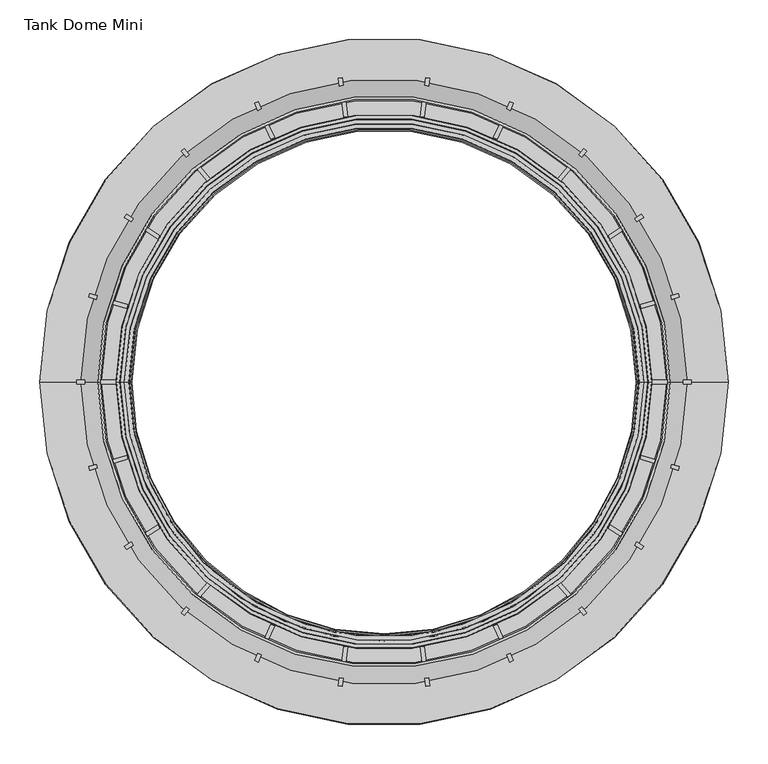
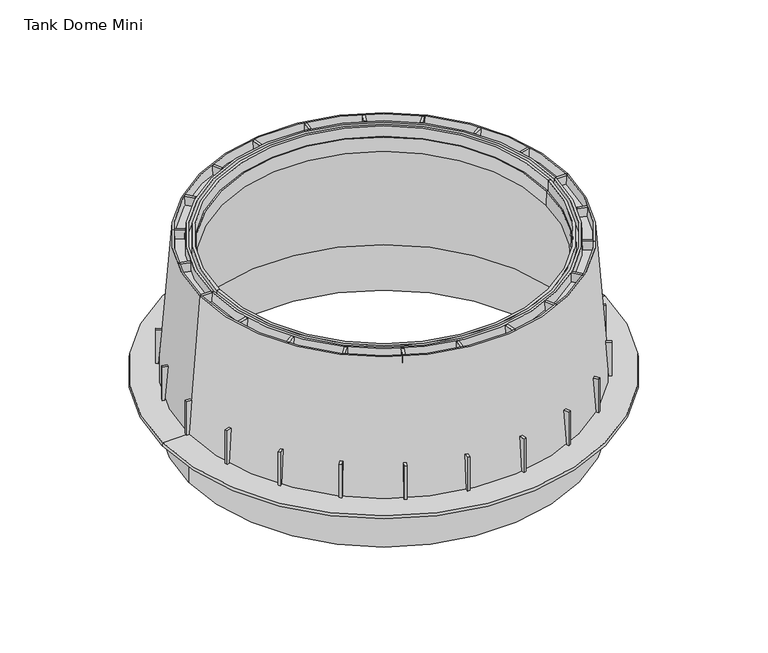
"""IFC4 building model written with IfcOpenShell, lengths in millimetres: proxy geometry, Tank Dome Mini."""

from ifc_helpers import new_model, si_unit, frame, origin, place, context, project, spatial, polyline, circle_curve, outline, extrude, source, transform, mapped, element, save
from ifc_brep_helpers import plane_surface, revolved_surface, advanced_brep


def tank_dome_mini_c82e10f8(model_context):
    return source(origin(), model_context, "Body", "SolidModel", [
        advanced_brep(
        [(435.0, 0.0, 6.0), (-435.0, 0.0, 6.0), (-383.5532657, 0.0, 6.0), (383.5532657, 0.0, 6.0), (435.524932, 0.0, 0.0), (-435.524932, 0.0, 0.0), (384.0139606, 0.0, 0.0), (-384.0139606, 0.0, 0.0), (383.0190866, 0.0, -95.0), (-383.0190866, 0.0, -95.0), (378.8253524, 0.0, -95.0), (-378.8253524, 0.0, -95.0), (377.9963, 0.0, 0.0), (-377.9963, 0.0, 0.0), (357.994462, 0.0, 260.5), (-357.994462, 0.0, 260.5), (327.3017331, 0.0, 260.5), (-327.3017331, 0.0, 260.5), (333.3393558, 0.0, 266.5), (-333.3393558, 0.0, 266.5), (-328.2954412, 0.0, 266.5), (328.2954412, 0.0, 266.5), (359.0056968, 0.0, 285.0), (-359.0056968, 0.0, 285.0), (-357.3871565, 0.0, 266.5), (357.3871565, 0.0, 266.5), (362.1309517, 0.0, 285.0), (-362.1309517, 0.0, 285.0), (320.0770663, 0.0, 263.8164931), (-320.0770663, 0.0, 263.8164931), (-319.0707722, 0.0, 235.0), (319.0707722, 0.0, 235.0), (322.0894576, 0.0, 264.171332), (-322.0894576, 0.0, 264.171332), (322.8168107, 0.0, 285.0), (-322.8168107, 0.0, 285.0), (325.0707722, 0.0, 235.0), (-325.0707722, 0.0, 235.0), (328.1339942, 0.0, 285.0), (-328.1339942, 0.0, 285.0), (333.98539, 0.0, 285.0), (-333.98539, 0.0, 285.0), (338.4773419, 0.0, 285.0), (-338.4773419, 0.0, 285.0), (339.0646982, 0.0, 266.5), (-339.0646982, 0.0, 266.5)],
        [
            (0, 1, circle_curve(frame((0.0, 0.0, 6.0), z_axis=(0.0, 0.0, 1.0), x_axis=(-1.0, 0.0, 0.0)), 435.0)),
            (1, 2),
            (2, 3, circle_curve(frame((0.0, 0.0, 6.0), z_axis=(0.0, 0.0, -1.0), x_axis=(-1.0, 0.0, 0.0)), 383.5532657)),
            (3, 0),
            (1, 0, circle_curve(frame((0.0, 0.0, 6.0), z_axis=(0.0, 0.0, 1.0), x_axis=(-1.0, 0.0, 0.0)), 435.0)),
            (3, 2, circle_curve(frame((0.0, 0.0, 6.0), z_axis=(0.0, 0.0, -1.0), x_axis=(-1.0, 0.0, 0.0)), 383.5532657)),
            (4, 5, circle_curve(frame((0.0, 0.0, 0.0), z_axis=(0.0, 0.0, 1.0), x_axis=(-1.0, 0.0, 0.0)), 435.524932)),
            (5, 1),
            (0, 4),
            (5, 4, circle_curve(frame((0.0, 0.0, 0.0), z_axis=(0.0, 0.0, 1.0), x_axis=(-1.0, 0.0, 0.0)), 435.524932)),
            (6, 7, circle_curve(frame((0.0, 0.0, 0.0), z_axis=(0.0, 0.0, 1.0), x_axis=(-1.0, 0.0, 0.0)), 384.0139606)),
            (7, 5),
            (4, 6),
            (7, 6, circle_curve(frame((0.0, 0.0, 0.0), z_axis=(0.0, 0.0, 1.0), x_axis=(-1.0, 0.0, 0.0)), 384.0139606)),
            (8, 9, circle_curve(frame((0.0, 0.0, -95.0), z_axis=(0.0, 0.0, 1.0), x_axis=(-1.0, 0.0, 0.0)), 383.0190866)),
            (9, 7),
            (6, 8),
            (9, 8, circle_curve(frame((0.0, 0.0, -95.0), z_axis=(0.0, 0.0, 1.0), x_axis=(-1.0, 0.0, 0.0)), 383.0190866)),
            (10, 11, circle_curve(frame((0.0, 0.0, -95.0), z_axis=(0.0, 0.0, 1.0), x_axis=(-1.0, 0.0, 0.0)), 378.8253524)),
            (11, 9),
            (8, 10),
            (11, 10, circle_curve(frame((0.0, 0.0, -95.0), z_axis=(0.0, 0.0, 1.0), x_axis=(-1.0, 0.0, 0.0)), 378.8253524)),
            (12, 13, circle_curve(frame((0.0, 0.0, 0.0), z_axis=(0.0, 0.0, 1.0), x_axis=(-1.0, 0.0, 0.0)), 377.9963)),
            (13, 11),
            (10, 12),
            (13, 12, circle_curve(frame((0.0, 0.0, 0.0), z_axis=(0.0, 0.0, 1.0), x_axis=(-1.0, 0.0, 0.0)), 377.9963)),
            (14, 15, circle_curve(frame((0.0, 0.0, 260.5), z_axis=(0.0, 0.0, 1.0), x_axis=(-1.0, 0.0, 0.0)), 357.994462)),
            (15, 13),
            (12, 14),
            (15, 14, circle_curve(frame((0.0, 0.0, 260.5), z_axis=(0.0, 0.0, 1.0), x_axis=(-1.0, 0.0, 0.0)), 357.994462)),
            (16, 17, circle_curve(frame((0.0, 0.0, 260.5), z_axis=(0.0, 0.0, 1.0), x_axis=(-1.0, 0.0, 0.0)), 327.3017331)),
            (17, 15),
            (14, 16),
            (17, 16, circle_curve(frame((0.0, 0.0, 260.5), z_axis=(0.0, 0.0, 1.0), x_axis=(-1.0, 0.0, 0.0)), 327.3017331)),
            (18, 19, circle_curve(frame((0.0, 0.0, 266.5), z_axis=(0.0, 0.0, 1.0), x_axis=(-1.0, 0.0, 0.0)), 333.3393558)),
            (19, 20),
            (20, 21, circle_curve(frame((0.0, 0.0, 266.5), z_axis=(0.0, 0.0, -1.0), x_axis=(-1.0, 0.0, 0.0)), 328.2954412)),
            (21, 18),
            (19, 18, circle_curve(frame((0.0, 0.0, 266.5), z_axis=(0.0, 0.0, 1.0), x_axis=(-1.0, 0.0, 0.0)), 333.3393558)),
            (21, 20, circle_curve(frame((0.0, 0.0, 266.5), z_axis=(0.0, 0.0, -1.0), x_axis=(-1.0, 0.0, 0.0)), 328.2954412)),
            (22, 23, circle_curve(frame((0.0, 0.0, 285.0), z_axis=(0.0, 0.0, 1.0), x_axis=(-1.0, 0.0, 0.0)), 359.0056968)),
            (23, 24),
            (24, 25, circle_curve(frame((0.0, 0.0, 266.5), z_axis=(0.0, 0.0, -1.0), x_axis=(-1.0, 0.0, 0.0)), 357.3871565)),
            (25, 22),
            (23, 22, circle_curve(frame((0.0, 0.0, 285.0), z_axis=(0.0, 0.0, 1.0), x_axis=(-1.0, 0.0, 0.0)), 359.0056968)),
            (25, 24, circle_curve(frame((0.0, 0.0, 266.5), z_axis=(0.0, 0.0, -1.0), x_axis=(-1.0, 0.0, 0.0)), 357.3871565)),
            (26, 27, circle_curve(frame((0.0, 0.0, 285.0), z_axis=(0.0, 0.0, 1.0), x_axis=(-1.0, 0.0, 0.0)), 362.1309517)),
            (27, 23),
            (22, 26),
            (27, 26, circle_curve(frame((0.0, 0.0, 285.0), z_axis=(0.0, 0.0, 1.0), x_axis=(-1.0, 0.0, 0.0)), 362.1309517)),
            (2, 27),
            (26, 3),
            (28, 29, circle_curve(frame((0.0, 0.0, 263.8164931), z_axis=(0.0, 0.0, 1.0), x_axis=(-1.0, 0.0, 0.0)), 320.0770663)),
            (29, 30),
            (30, 31, circle_curve(frame((0.0, 0.0, 235.0), z_axis=(0.0, 0.0, -1.0), x_axis=(-1.0, 0.0, 0.0)), 319.0707722)),
            (31, 28),
            (29, 28, circle_curve(frame((0.0, 0.0, 263.8164931), z_axis=(0.0, 0.0, 1.0), x_axis=(-1.0, 0.0, 0.0)), 320.0770663)),
            (31, 30, circle_curve(frame((0.0, 0.0, 235.0), z_axis=(0.0, 0.0, -1.0), x_axis=(-1.0, 0.0, 0.0)), 319.0707722)),
            (32, 33, circle_curve(frame((0.0, 0.0, 264.171332), z_axis=(0.0, 0.0, 1.0), x_axis=(-1.0, 0.0, 0.0)), 322.0894576)),
            (33, 29),
            (28, 32),
            (33, 32, circle_curve(frame((0.0, 0.0, 264.171332), z_axis=(0.0, 0.0, 1.0), x_axis=(-1.0, 0.0, 0.0)), 322.0894576)),
            (34, 35, circle_curve(frame((0.0, 0.0, 285.0), z_axis=(0.0, 0.0, 1.0), x_axis=(-1.0, 0.0, 0.0)), 322.8168107)),
            (35, 33),
            (32, 34),
            (35, 34, circle_curve(frame((0.0, 0.0, 285.0), z_axis=(0.0, 0.0, 1.0), x_axis=(-1.0, 0.0, 0.0)), 322.8168107)),
            (36, 37, circle_curve(frame((0.0, 0.0, 235.0), z_axis=(0.0, 0.0, 1.0), x_axis=(-1.0, 0.0, 0.0)), 325.0707722)),
            (37, 17),
            (16, 36),
            (37, 36, circle_curve(frame((0.0, 0.0, 235.0), z_axis=(0.0, 0.0, 1.0), x_axis=(-1.0, 0.0, 0.0)), 325.0707722)),
            (30, 37),
            (36, 31),
            (38, 39, circle_curve(frame((0.0, 0.0, 285.0), z_axis=(0.0, 0.0, 1.0), x_axis=(-1.0, 0.0, 0.0)), 328.1339942)),
            (39, 35),
            (34, 38),
            (39, 38, circle_curve(frame((0.0, 0.0, 285.0), z_axis=(0.0, 0.0, 1.0), x_axis=(-1.0, 0.0, 0.0)), 328.1339942)),
            (20, 39),
            (38, 21),
            (40, 41, circle_curve(frame((0.0, 0.0, 285.0), z_axis=(0.0, 0.0, 1.0), x_axis=(-1.0, 0.0, 0.0)), 333.98539)),
            (41, 19),
            (18, 40),
            (41, 40, circle_curve(frame((0.0, 0.0, 285.0), z_axis=(0.0, 0.0, 1.0), x_axis=(-1.0, 0.0, 0.0)), 333.98539)),
            (42, 43, circle_curve(frame((0.0, 0.0, 285.0), z_axis=(0.0, 0.0, 1.0), x_axis=(-1.0, 0.0, 0.0)), 338.4773419)),
            (43, 41),
            (40, 42),
            (43, 42, circle_curve(frame((0.0, 0.0, 285.0), z_axis=(0.0, 0.0, 1.0), x_axis=(-1.0, 0.0, 0.0)), 338.4773419)),
            (44, 45, circle_curve(frame((0.0, 0.0, 266.5), z_axis=(0.0, 0.0, 1.0), x_axis=(-1.0, 0.0, 0.0)), 339.0646982)),
            (45, 43),
            (42, 44),
            (45, 44, circle_curve(frame((0.0, 0.0, 266.5), z_axis=(0.0, 0.0, 1.0), x_axis=(-1.0, 0.0, 0.0)), 339.0646982)),
            (24, 45),
            (44, 25),
        ],
        [
            plane_surface(frame((0.0, 0.0, 6.0), z_axis=(0.0, 0.0, 1.0), x_axis=(-1.0, 0.0, 0.0))),
            revolved_surface(polyline([(-435.0, 0.0, 6.0), (-435.524932, 0.0, 0.0)]), (0.0, 0.0, 486.5), (0.0, 0.0, -1.0)),
            plane_surface(frame((0.0, 0.0, 0.0), z_axis=(0.0, 0.0, -1.0), x_axis=(-1.0, 0.0, 0.0))),
            revolved_surface(polyline([(-384.0139606, 0.0, 0.0), (-383.0190866, 0.0, -95.0)]), (0.0, 0.0, 486.5), (0.0, 0.0, -1.0)),
            plane_surface(frame((0.0, 0.0, -95.0), z_axis=(0.0, 0.0, -1.0), x_axis=(-1.0, 0.0, 0.0))),
            revolved_surface(polyline([(-378.8253524, 0.0, -95.0), (-377.9963, 0.0, 0.0)]), (0.0, 0.0, 486.5), (0.0, 0.0, -1.0)),
            revolved_surface(polyline([(-377.9963, 0.0, 0.0), (-357.994462, 0.0, 260.5)]), (0.0, 0.0, 486.5), (0.0, 0.0, -1.0)),
            plane_surface(frame((0.0, 0.0, 260.5), z_axis=(0.0, 0.0, -1.0), x_axis=(-1.0, 0.0, 0.0))),
            plane_surface(frame((0.0, 0.0, 266.5), z_axis=(0.0, 0.0, 1.0), x_axis=(-1.0, 0.0, 0.0))),
            revolved_surface(polyline([(-357.3871565, 0.0, 266.5), (-359.0056968, 0.0, 285.0)]), (0.0, 0.0, 486.5), (0.0, 0.0, -1.0)),
            plane_surface(frame((0.0, 0.0, 285.0), z_axis=(0.0, 0.0, 1.0), x_axis=(-1.0, 0.0, 0.0))),
            revolved_surface(polyline([(-362.1309517, 0.0, 285.0), (-383.5532657, 0.0, 6.0)]), (0.0, 0.0, 486.5), (0.0, 0.0, -1.0)),
            revolved_surface(polyline([(-319.0707722, 0.0, 235.0), (-320.0770663, 0.0, 263.8164931)]), (0.0, 0.0, 486.5), (0.0, 0.0, -1.0)),
            revolved_surface(polyline([(-320.0770663, 0.0, 263.8164931), (-322.0894576, 0.0, 264.171332)]), (0.0, 0.0, 486.5), (0.0, 0.0, -1.0)),
            revolved_surface(polyline([(-322.0894576, 0.0, 264.171332), (-322.8168107, 0.0, 285.0)]), (0.0, 0.0, 486.5), (0.0, 0.0, -1.0)),
            revolved_surface(polyline([(-327.3017331, 0.0, 260.5), (-325.0707722, 0.0, 235.0)]), (0.0, 0.0, 486.5), (0.0, 0.0, -1.0)),
            plane_surface(frame((0.0, 0.0, 235.0), z_axis=(0.0, 0.0, -1.0), x_axis=(-1.0, 0.0, 0.0))),
            revolved_surface(polyline([(-328.1339942, 0.0, 285.0), (-328.2954412, 0.0, 266.5)]), (0.0, 0.0, 486.5), (0.0, 0.0, -1.0)),
            revolved_surface(polyline([(-333.3393558, 0.0, 266.5), (-333.98539, 0.0, 285.0)]), (0.0, 0.0, 486.5), (0.0, 0.0, -1.0)),
            revolved_surface(polyline([(-338.4773419, 0.0, 285.0), (-339.0646982, 0.0, 266.5)]), (0.0, 0.0, 486.5), (0.0, 0.0, -1.0)),
        ],
        [
            (0, [[1, 2, 3, 4]]),
            (0, [[5, -4, 6, -2]]),
            (1, [[7, 8, -1, 9]]),
            (1, [[10, -9, -5, -8]]),
            (2, [[11, 12, -7, 13]]),
            (2, [[14, -13, -10, -12]]),
            (3, [[15, 16, -11, 17]]),
            (3, [[18, -17, -14, -16]]),
            (4, [[19, 20, -15, 21]]),
            (4, [[22, -21, -18, -20]]),
            (5, [[23, 24, -19, 25]]),
            (5, [[26, -25, -22, -24]]),
            (6, [[27, 28, -23, 29]]),
            (6, [[30, -29, -26, -28]]),
            (7, [[31, 32, -27, 33]]),
            (7, [[34, -33, -30, -32]]),
            (8, [[35, 36, 37, 38]]),
            (8, [[39, -38, 40, -36]]),
            (9, [[41, 42, 43, 44]]),
            (9, [[45, -44, 46, -42]]),
            (10, [[47, 48, -41, 49]]),
            (10, [[50, -49, -45, -48]]),
            (11, [[-3, 51, -47, 52]]),
            (11, [[-6, -52, -50, -51]]),
            (12, [[53, 54, 55, 56]]),
            (12, [[57, -56, 58, -54]]),
            (13, [[59, 60, -53, 61]]),
            (13, [[62, -61, -57, -60]]),
            (14, [[63, 64, -59, 65]]),
            (14, [[66, -65, -62, -64]]),
            (15, [[67, 68, -31, 69]]),
            (15, [[70, -69, -34, -68]]),
            (16, [[-55, 71, -67, 72]]),
            (16, [[-58, -72, -70, -71]]),
            (10, [[73, 74, -63, 75]]),
            (10, [[76, -75, -66, -74]]),
            (17, [[-37, 77, -73, 78]]),
            (17, [[-40, -78, -76, -77]]),
            (18, [[79, 80, -35, 81]]),
            (18, [[82, -81, -39, -80]]),
            (10, [[83, 84, -79, 85]]),
            (10, [[86, -85, -82, -84]]),
            (19, [[87, 88, -83, 89]]),
            (19, [[90, -89, -86, -88]]),
            (8, [[-43, 91, -87, 92]]),
            (8, [[-46, -92, -90, -91]]),
        ],
    ),
        extrude(outline(polyline([(76.0, -388.5978034), (6.0, -388.5978034), (6.0, -383.9725776), (76.0, -378.5978034), (76.0, -388.5978034)])), frame((0.0, -2.5, 0.0), z_axis=(0.0, 1.0, 0.0), x_axis=(0.0, 0.0, 1.0)), (0.0, 0.0, 1.0), 5.0),
        extrude(outline(polyline([(285.0, -359.0056968), (266.5, -357.3871565), (266.5, -339.0646982), (285.0, -338.4773419), (285.0, -359.0056968)])), frame((0.0, -2.5, 0.0), z_axis=(0.0, 1.0, 0.0), x_axis=(0.0, 0.0, 1.0)), (0.0, 0.0, 1.0), 5.0),
        extrude(outline(polyline([(76.0, 388.5978034), (76.0, 378.5978034), (6.0, 383.9725776), (6.0, 388.5978034), (76.0, 388.5978034)])), frame((0.0, -2.5, 0.0), z_axis=(0.0, 1.0, 0.0), x_axis=(0.0, 0.0, 1.0)), (0.0, 0.0, 1.0), 5.0),
        extrude(outline(polyline([(285.0, 359.0056968), (285.0, 338.4773419), (266.5, 339.0646982), (266.5, 357.3871565), (285.0, 359.0056968)])), frame((0.0, -2.5, 0.0), z_axis=(0.0, 1.0, 0.0), x_axis=(0.0, 0.0, 1.0)), (0.0, 0.0, 1.0), 5.0),
        extrude(outline(polyline([(75.5978034, 0.0), (75.5978034, -70.0), (70.9725775, -70.0), (65.5978035, 0.0), (75.5978034, 0.0)])), frame((-261.9607537, -171.3237097, 76.0), z_axis=(-0.5406408174557913, 0.8412535328310567, 0.0), x_axis=(-0.8412535328310567, -0.5406408174557913, 0.0)), (0.0, 0.0, 1.0), 5.0),
        extrude(outline(polyline([(46.0056968, 209.0), (44.3871566, 190.5), (26.0646981, 190.5), (25.4773419, 209.0), (46.0056968, 209.0)])), frame((-261.9607537, -171.3237097, 76.0), z_axis=(-0.5406408174557913, 0.8412535328310567, 0.0), x_axis=(-0.8412535328310567, -0.5406408174557913, 0.0)), (0.0, 0.0, 1.0), 5.0),
        extrude(outline(polyline([(75.5978035, 0.0), (75.5978035, -70.0), (70.9725776, -70.0), (65.5978035, 0.0), (75.5978035, 0.0)])), frame((-299.6169693, -90.5810227, 76.0), z_axis=(-0.2817325568416399, 0.9594929736144358, 0.0), x_axis=(-0.9594929736144358, -0.2817325568416399, 0.0)), (0.0, 0.0, 1.0), 5.0),
        extrude(outline(polyline([(46.0056969, 209.0), (44.3871566, 190.5), (26.0646982, 190.5), (25.477342, 209.0), (46.0056969, 209.0)])), frame((-299.6169693, -90.5810227, 76.0), z_axis=(-0.2817325568416399, 0.9594929736144358, 0.0), x_axis=(-0.9594929736144358, -0.2817325568416399, 0.0)), (0.0, 0.0, 1.0), 5.0),
        extrude(outline(polyline([(75.5978034, 0.0), (75.5978034, -70.0), (70.9725776, -70.0), (65.5978034, 0.0), (75.5978034, 0.0)])), frame((-203.0820358, -238.1867686, 76.0), z_axis=(-0.755749574354431, 0.6548607339450857, 0.0), x_axis=(-0.6548607339450857, -0.755749574354431, 0.0)), (0.0, 0.0, 1.0), 5.0),
        extrude(outline(polyline([(46.0056968, 209.0), (44.3871566, 190.5), (26.0646982, 190.5), (25.4773419, 209.0), (46.0056968, 209.0)])), frame((-203.0820358, -238.1867686, 76.0), z_axis=(-0.755749574354431, 0.6548607339450857, 0.0), x_axis=(-0.6548607339450857, -0.755749574354431, 0.0)), (0.0, 0.0, 1.0), 5.0),
        extrude(outline(polyline([(-133.0491355, 0.0), (-63.0491355, 0.0), (-63.0491355, -4.6252259), (-133.0491355, -10.0000001), (-133.0491355, 0.0)])), frame((-159.1552816, -354.5195329, -57.0491355), z_axis=(-0.909631995354637, 0.415415013001627, 0.0), x_axis=(0.0, 0.0, -1.0)), (0.0, 0.0, 1.0), 5.0),
        extrude(outline(polyline([(-342.0491355, -29.5921066), (-323.5491355, -31.210647), (-323.5491355, -49.5331053), (-342.0491355, -50.1204616), (-342.0491355, -29.5921066)])), frame((-159.1552816, -354.5195329, -57.0491355), z_axis=(-0.909631995354637, 0.415415013001627, 0.0), x_axis=(0.0, 0.0, -1.0)), (0.0, 0.0, 1.0), 5.0),
        extrude(outline(polyline([(-133.0491355, 0.0), (-63.0491355, 0.0), (-63.0491355, -4.6252258), (-133.0491355, -10.0), (-133.0491355, 0.0)])), frame((-52.8286799, -384.9982252, -57.0491355), z_axis=(-0.989821441880975, 0.14231483827299152, 0.0), x_axis=(0.0, 0.0, -1.0)), (0.0, 0.0, 1.0), 5.0),
        extrude(outline(polyline([(-342.0491355, -29.5921066), (-323.5491355, -31.2106469), (-323.5491355, -49.5331053), (-342.0491355, -50.1204615), (-342.0491355, -29.5921066)])), frame((-52.8286799, -384.9982252, -57.0491355), z_axis=(-0.989821441880975, 0.14231483827299152, 0.0), x_axis=(0.0, 0.0, -1.0)), (0.0, 0.0, 1.0), 5.0),
        extrude(outline(polyline([(-75.5978035, 0.0), (-65.5978034, 0.0), (-70.9725776, -70.0), (-75.5978035, -70.0), (-75.5978035, 0.0)])), frame((301.0256321, 85.7835579, 76.0), z_axis=(-0.2817325568412555, 0.9594929736145485, 0.0), x_axis=(-0.9594929736145485, -0.2817325568412555, 0.0)), (0.0, 0.0, 1.0), 5.0),
        extrude(outline(polyline([(-46.0056968, 209.0), (-25.4773419, 209.0), (-26.0646982, 190.5), (-44.3871565, 190.5), (-46.0056968, 209.0)])), frame((301.0256321, 85.7835579, 76.0), z_axis=(-0.2817325568412555, 0.9594929736145485, 0.0), x_axis=(-0.9594929736145485, -0.2817325568412555, 0.0)), (0.0, 0.0, 1.0), 5.0),
        extrude(outline(polyline([(133.0491355, 0.0), (133.0491355, -10.0), (63.0491355, -4.6252259), (63.0491355, 0.0), (133.0491355, 0.0)])), frame((328.260877, 207.9887003, -57.0491355), z_axis=(-0.540640817455463, 0.8412535328312677, 0.0), x_axis=(0.0, 0.0, 1.0)), (0.0, 0.0, 1.0), 5.0),
        extrude(outline(polyline([(342.0491355, -29.5921066), (342.0491355, -50.1204615), (323.5491355, -49.5331053), (323.5491355, -31.2106469), (342.0491355, -29.5921066)])), frame((328.260877, 207.9887003, -57.0491355), z_axis=(-0.540640817455463, 0.8412535328312677, 0.0), x_axis=(0.0, 0.0, 1.0)), (0.0, 0.0, 1.0), 5.0),
        extrude(outline(polyline([(133.0491355, 0.0), (133.0491355, -9.9999999), (63.0491355, -4.6252259), (63.0491355, 0.0), (133.0491355, 0.0)])), frame((325.5576729, -212.1949679, -57.0491355), z_axis=(0.5406408174557913, 0.8412535328310567, 0.0), x_axis=(0.0, 0.0, 1.0)), (0.0, 0.0, 1.0), 5.0),
        extrude(outline(polyline([(342.0491355, -29.5921066), (342.0491355, -50.1204615), (323.5491355, -49.5331053), (323.5491355, -31.2106468), (342.0491355, -29.5921066)])), frame((325.5576729, -212.1949679, -57.0491355), z_axis=(0.5406408174557913, 0.8412535328310567, 0.0), x_axis=(0.0, 0.0, 1.0)), (0.0, 0.0, 1.0), 5.0),
        extrude(outline(polyline([(133.0491355, 0.0), (133.0491355, -10.0000001), (63.0491355, -4.6252259), (63.0491355, 0.0), (133.0491355, 0.0)])), frame((372.1525306, -111.8793852, -57.0491355), z_axis=(0.2817325568416399, 0.9594929736144358, 0.0), x_axis=(0.0, 0.0, 1.0)), (0.0, 0.0, 1.0), 5.0),
        extrude(outline(polyline([(342.0491355, -29.5921067), (342.0491355, -50.1204616), (323.5491355, -49.5331053), (323.5491355, -31.2106469), (342.0491355, -29.5921067)])), frame((372.1525306, -111.8793852, -57.0491355), z_axis=(0.2817325568416399, 0.9594929736144358, 0.0), x_axis=(0.0, 0.0, 1.0)), (0.0, 0.0, 1.0), 5.0),
        extrude(outline(polyline([(133.0491355, 0.0), (133.0491355, -10.0), (63.0491355, -4.6252259), (63.0491355, 0.0), (133.0491355, 0.0)])), frame((252.5880688, -295.3197764, -57.0491355), z_axis=(0.7557495743544311, 0.6548607339450857, 0.0), x_axis=(0.0, 0.0, 1.0)), (0.0, 0.0, 1.0), 5.0),
        extrude(outline(polyline([(342.0491355, -29.5921066), (342.0491355, -50.1204615), (323.5491355, -49.5331053), (323.5491355, -31.2106469), (342.0491355, -29.5921066)])), frame((252.5880688, -295.3197764, -57.0491355), z_axis=(0.7557495743544311, 0.6548607339450857, 0.0), x_axis=(0.0, 0.0, 1.0)), (0.0, 0.0, 1.0), 5.0),
        extrude(outline(polyline([(-75.5978035, 0.0), (-65.5978034, 0.0), (-70.9725775, -70.0), (-75.5978035, -70.0), (-75.5978035, 0.0)])), frame((127.7508191, -285.7533521, 76.0), z_axis=(0.909631995354637, 0.415415013001627, 0.0), x_axis=(-0.415415013001627, 0.909631995354637, 0.0)), (0.0, 0.0, 1.0), 5.0),
        extrude(outline(polyline([(-46.0056968, 209.0), (-25.4773418, 209.0), (-26.0646982, 190.5), (-44.3871565, 190.5), (-46.0056968, 209.0)])), frame((127.7508191, -285.7533521, 76.0), z_axis=(0.909631995354637, 0.415415013001627, 0.0), x_axis=(-0.415415013001627, 0.909631995354637, 0.0)), (0.0, 0.0, 1.0), 5.0),
        extrude(outline(polyline([(-75.5978034, 0.0), (-65.5978035, 0.0), (-70.9725776, -70.0), (-75.5978034, -70.0), (-75.5978034, 0.0)])), frame((42.0699908, -310.1698984, 76.0), z_axis=(0.989821441880975, 0.14231483827299155, 0.0), x_axis=(-0.14231483827299155, 0.989821441880975, 0.0)), (0.0, 0.0, 1.0), 5.0),
        extrude(outline(polyline([(-46.0056969, 209.0), (-25.4773419, 209.0), (-26.0646981, 190.5), (-44.3871566, 190.5), (-46.0056969, 209.0)])), frame((42.0699908, -310.1698984, 76.0), z_axis=(0.989821441880975, 0.14231483827299155, 0.0), x_axis=(-0.14231483827299155, 0.989821441880975, 0.0)), (0.0, 0.0, 1.0), 5.0),
        extrude(outline(polyline([(-133.0491355, 0.0), (-63.0491355, 0.0), (-63.0491355, -4.6252258), (-133.0491355, -10.0), (-133.0491355, 0.0)])), frame((-57.7777872, 384.286651, -57.0491355), z_axis=(0.9898214418809443, 0.14231483827320435, 0.0), x_axis=(0.0, 0.0, -1.0)), (0.0, 0.0, 1.0), 5.0),
        extrude(outline(polyline([(-342.0491355, -29.5921066), (-323.5491355, -31.2106469), (-323.5491355, -49.5331053), (-342.0491355, -50.1204615), (-342.0491355, -29.5921066)])), frame((-57.7777872, 384.286651, -57.0491355), z_axis=(0.9898214418809443, 0.14231483827320435, 0.0), x_axis=(0.0, 0.0, -1.0)), (0.0, 0.0, 1.0), 5.0),
        extrude(outline(polyline([(133.0491355, 0.0), (133.0491355, -10.0), (63.0491355, -4.6252258), (63.0491355, 0.0), (133.0491355, 0.0)])), frame((57.7777872, 384.286651, -57.0491355), z_axis=(-0.9898214418809164, 0.14231483827339925, 0.0), x_axis=(0.0, 0.0, 1.0)), (0.0, 0.0, 1.0), 5.0),
        extrude(outline(polyline([(342.0491355, -29.5921066), (342.0491355, -50.1204615), (323.5491355, -49.5331053), (323.5491355, -31.2106469), (342.0491355, -29.5921066)])), frame((57.7777872, 384.286651, -57.0491355), z_axis=(-0.9898214418809164, 0.14231483827339925, 0.0), x_axis=(0.0, 0.0, 1.0)), (0.0, 0.0, 1.0), 5.0),
        extrude(outline(polyline([(-75.5978035, 0.0), (-65.5978034, 0.0), (-70.9725776, -70.0), (-75.5978035, -70.0), (-75.5978035, 0.0)])), frame((132.2989791, 283.676277, 76.0), z_axis=(-0.9096319953544616, 0.41541501300201084, 0.0), x_axis=(-0.41541501300201084, -0.9096319953544616, 0.0)), (0.0, 0.0, 1.0), 5.0),
        extrude(outline(polyline([(-46.0056968, 209.0), (-25.4773418, 209.0), (-26.0646982, 190.5), (-44.3871566, 190.5), (-46.0056968, 209.0)])), frame((132.2989791, 283.676277, 76.0), z_axis=(-0.9096319953544616, 0.41541501300201084, 0.0), x_axis=(-0.41541501300201084, -0.9096319953544616, 0.0)), (0.0, 0.0, 1.0), 5.0),
        extrude(outline(polyline([(-75.5978034, 0.0), (-65.5978035, 0.0), (-70.9725776, -70.0), (-75.5978034, -70.0), (-75.5978034, 0.0)])), frame((206.8607837, 234.9124649, 76.0), z_axis=(-0.7557495743541613, 0.654860733945397, 0.0), x_axis=(-0.654860733945397, -0.7557495743541613, 0.0)), (0.0, 0.0, 1.0), 5.0),
        extrude(outline(polyline([(-46.0056968, 209.0), (-25.4773419, 209.0), (-26.0646982, 190.5), (-44.3871566, 190.5), (-46.0056968, 209.0)])), frame((206.8607837, 234.9124649, 76.0), z_axis=(-0.7557495743541613, 0.654860733945397, 0.0), x_axis=(-0.654860733945397, -0.7557495743541613, 0.0)), (0.0, 0.0, 1.0), 5.0),
        extrude(outline(polyline([(75.5978034, 0.0), (75.5978034, -70.0), (70.9725776, -70.0), (65.5978035, 0.0), (75.5978034, 0.0)])), frame((-206.8607837, 234.9124649, 76.0), z_axis=(0.7557495743543018, 0.6548607339452349, 0.0), x_axis=(-0.6548607339452349, 0.7557495743543018, 0.0)), (0.0, 0.0, 1.0), 5.0),
        extrude(outline(polyline([(46.0056968, 209.0), (44.3871566, 190.5), (26.0646982, 190.5), (25.4773419, 209.0), (46.0056968, 209.0)])), frame((-206.8607837, 234.9124649, 76.0), z_axis=(0.7557495743543018, 0.6548607339452349, 0.0), x_axis=(-0.6548607339452349, 0.7557495743543018, 0.0)), (0.0, 0.0, 1.0), 5.0),
        extrude(outline(polyline([(75.5978035, 0.0), (75.5978035, -70.0), (70.9725776, -70.0), (65.5978034, 0.0), (75.5978035, 0.0)])), frame((-132.2989791, 283.676277, 76.0), z_axis=(0.9096319953545507, 0.4154150130018156, 0.0), x_axis=(-0.4154150130018156, 0.9096319953545507, 0.0)), (0.0, 0.0, 1.0), 5.0),
        extrude(outline(polyline([(46.0056968, 209.0), (44.3871566, 190.5), (26.0646982, 190.5), (25.4773418, 209.0), (46.0056968, 209.0)])), frame((-132.2989791, 283.676277, 76.0), z_axis=(0.9096319953545507, 0.4154150130018156, 0.0), x_axis=(-0.4154150130018156, 0.9096319953545507, 0.0)), (0.0, 0.0, 1.0), 5.0),
        extrude(outline(polyline([(75.5978035, 0.0), (75.5978035, -70.0), (70.9725776, -70.0), (65.5978035, 0.0), (75.5978035, 0.0)])), frame((-264.6639578, 167.117442, 76.0), z_axis=(0.5406408174556252, 0.8412535328311634, 0.0), x_axis=(-0.8412535328311634, 0.5406408174556252, 0.0)), (0.0, 0.0, 1.0), 5.0),
        extrude(outline(polyline([(46.0056969, 209.0), (44.3871566, 190.5), (26.0646982, 190.5), (25.4773419, 209.0), (46.0056969, 209.0)])), frame((-264.6639578, 167.117442, 76.0), z_axis=(0.5406408174556252, 0.8412535328311634, 0.0), x_axis=(-0.8412535328311634, 0.5406408174556252, 0.0)), (0.0, 0.0, 1.0), 5.0),
        extrude(outline(polyline([(-133.0491355, 0.0), (-63.0491355, 0.0), (-63.0491355, -4.6252259), (-133.0491355, -10.0000001), (-133.0491355, 0.0)])), frame((-373.5611934, 107.0819203, -57.0491355), z_axis=(0.2817325568414406, 0.9594929736144941, 0.0), x_axis=(0.0, 0.0, -1.0)), (0.0, 0.0, 1.0), 5.0),
        extrude(outline(polyline([(-342.0491355, -29.5921067), (-323.5491355, -31.210647), (-323.5491355, -49.5331053), (-342.0491355, -50.1204616), (-342.0491355, -29.5921067)])), frame((-373.5611934, 107.0819203, -57.0491355), z_axis=(0.2817325568414406, 0.9594929736144941, 0.0), x_axis=(0.0, 0.0, -1.0)), (0.0, 0.0, 1.0), 5.0),
    ])


if __name__ == "__main__":
    model = new_model("IFC4")
    model_context = context("Model", 3, world=origin())
    ifc_project = project(units=[si_unit("LENGTHUNIT", "METRE", prefix="MILLI")], contexts=[model_context])
    site = spatial("IfcSite", under=ifc_project)
    building = spatial("IfcBuilding", under=site)
    placement = place(None, origin())
    tank_dome_mini_shape = tank_dome_mini_c82e10f8(model_context)
    element("IfcBuildingElementProxy", 1, Name="Tank Dome Mini", ObjectType="Tank Dome Mini", at=placement, inside=building, context=model_context, shape_type="MappedRepresentation", body=[
        mapped(tank_dome_mini_shape, transform((0.0, 0.0, 0.0), x_axis=(1.0, 0.0, 0.0), y_axis=(0.0, 1.0, 0.0), z_axis=(0.0, 0.0, 1.0))),
    ])
    save(model, "model.ifc")
